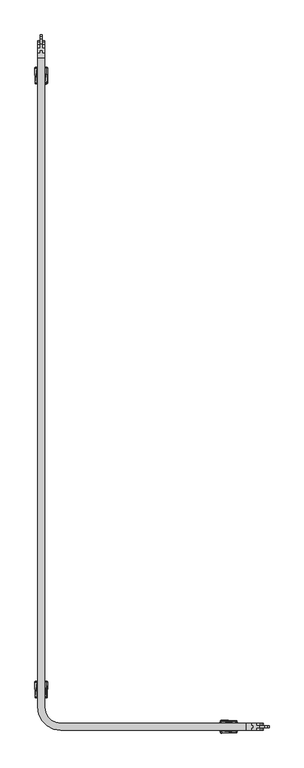
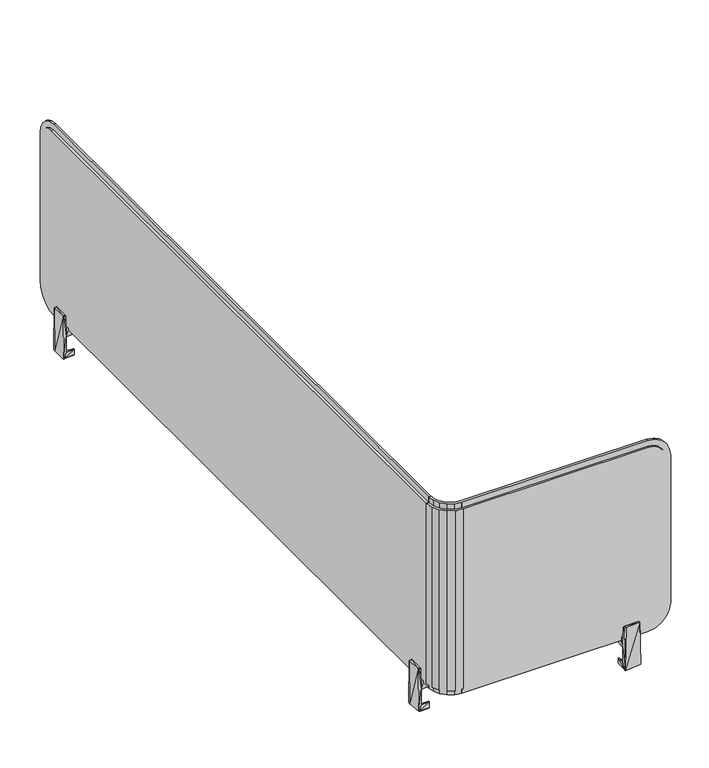
"""IFC4 building model written with IfcOpenShell, lengths in millimetres: furniture geometry."""

from ifc_helpers import new_model, si_unit, origin, place, context, project, spatial, triangles, source, transform, mapped, element, save


def furniture_e910773b(model_context):
    return source(origin(), model_context, "Body", "Tessellation", [
        triangles([(3738.1908396, 2615.817123, 1058.9999674), (3388.4408399, 2615.817123, 1089.0000257), (3708.1908449, 2615.817123, 1089.0000257), (3388.4408399, 2615.817123, 760.9999884), (3738.1908396, 2615.817123, 790.9999741), (3708.1908449, 2615.817123, 760.9999884), (3736.7228424, 2615.817123, 781.7290283), (3732.4618379, 2615.817123, 773.3660213), (3725.824843, 2615.817123, 766.7289991), (3717.4618451, 2615.817123, 762.4679947), (3736.7228424, 2615.817123, 1068.2709858), (3732.4618379, 2615.817123, 1076.6339928), (3725.824843, 2615.817123, 1083.271015), (3717.4618451, 2615.817123, 1087.5320194), (3378.1598359, 2613.4301321, 760.9999884), (3387.9408341, 2615.8181404, 760.9999884), (3387.9408341, 2611.8181302, 760.9999884), (3379.3958433, 2617.2341332, 760.9999884), (3369.3408429, 2617.958126, 760.9999884), (3371.6928433, 2621.1941385, 760.9999884), (3362.3318412, 2624.9671277, 760.9999884), (3365.5678356, 2627.319128, 760.9999884), (3357.8038473, 2633.7861388, 760.9999884), (3361.6078484, 2635.0221281, 760.9999884), (3356.1918454, 2643.567137, 760.9999884), (3360.1918374, 2643.567137, 760.9999884), (3379.3958433, 2617.2341332, 1089.0000257), (3387.9408341, 2615.8181404, 1089.0000257), (3371.6928433, 2621.1941385, 1089.0000257), (3365.5678356, 2627.319128, 1089.0000257), (3361.6078484, 2635.0221281, 1089.0000257), (3360.1918374, 2643.567137, 1089.0000257), (3360.1908382, 2644.0671247, 1089.0000257), (3356.1908462, 2644.0671247, 760.9999884), (3360.1908382, 2644.0671247, 760.9999884), (3356.1908462, 2644.0671247, 1089.0000257), (3352.190836, 2644.0671247, 760.9999884), (3352.190836, 2644.0671247, 1089.0000257), (3349.1908374, 2644.0671247, 760.9999884), (3349.1908374, 2644.0671247, 1089.0000257), (3352.190836, 2644.0671247, 751.0000174), (3356.1908462, 2644.0671247, 751.0000174), (3356.1908462, 2644.0671247, 1098.9999968), (3352.190836, 2644.0671247, 1098.9999968), (3360.1908382, 3793.8171487, 1058.9999674), (3360.1908382, 3793.8171487, 790.9999741), (3360.1908382, 3763.8170903, 760.9999884), (3360.1908382, 3792.3490697, 781.7290283), (3360.1908382, 3788.0881379, 773.3660213), (3360.1908382, 3763.8170903, 1089.0000257), (3360.1908382, 3792.3490697, 1068.2709858), (3360.1908382, 3788.0881379, 1076.6339928), (3360.1908382, 3781.4511884, 1083.271015), (3360.1908382, 3773.087164, 1087.5320194), (3360.1908382, 3781.4511884, 766.7289991), (3360.1908382, 3773.087164, 762.4679947), (3388.4408399, 2607.8171389, 760.9999884), (3388.4408399, 2611.817131, 751.0000174), (3388.4408399, 2607.8171389, 751.0000174), (3388.4408399, 2611.817131, 760.9999884), (3388.4408399, 2607.8171389, 1089.0000257), (3388.4408399, 2611.817131, 1089.0000257), (3388.4408399, 2607.8171389, 1098.9999968), (3388.4408399, 2611.817131, 1098.9999968), (3388.4408399, 2604.8171404, 1089.0000257), (3388.4408399, 2604.8171404, 760.9999884), (3387.9408341, 2607.8181381, 1089.0000257), (3387.9408341, 2611.8181302, 1098.9999968), (3387.9408341, 2607.8181381, 1098.9999968), (3387.9408341, 2611.8181302, 1089.0000257), (3387.9408341, 2607.8181381, 751.0000174), (3387.9408341, 2611.8181302, 751.0000174), (3387.9408341, 2607.8181381, 760.9999884), (3387.9408341, 2604.8171404, 1089.0000257), (3387.9408341, 2604.8171404, 760.9999884), (3352.1918352, 2643.567137, 760.9999884), (3356.1918454, 2643.567137, 751.0000174), (3352.1918352, 2643.567137, 751.0000174), (3352.1918352, 2643.567137, 1089.0000257), (3356.1918454, 2643.567137, 1089.0000257), (3352.1918352, 2643.567137, 1098.9999968), (3356.1918454, 2643.567137, 1098.9999968), (3349.1908374, 2643.567137, 1089.0000257), (3349.1908374, 2643.567137, 760.9999884), (3350.1488458, 2631.4561393, 760.9999884), (3348.1908439, 2643.8171399, 1089.0000257), (3348.1908439, 2643.8171399, 760.9999884), (3350.1488458, 2631.4561393, 1089.0000257), (3355.8298399, 2620.3061295, 760.9999884), (3355.8298399, 2620.3061295, 1089.0000257), (3364.6798447, 2611.4561247, 760.9999884), (3364.6798447, 2611.4561247, 1089.0000257), (3375.8298364, 2605.7751306, 760.9999884), (3375.8298364, 2605.7751306, 1089.0000257), (3388.190837, 2603.8171287, 760.9999884), (3388.190837, 2603.8171287, 1089.0000257), (3708.1908449, 2611.817131, 760.9999884), (3708.1908449, 2611.817131, 1089.0000257), (3738.1908396, 2611.817131, 790.9999741), (3736.7228424, 2611.817131, 781.7290283), (3732.4618379, 2611.817131, 773.3660213), (3725.824843, 2611.817131, 766.7289991), (3717.4618451, 2611.817131, 762.4679947), (3738.1908396, 2611.817131, 1058.9999674), (3717.4618451, 2611.817131, 1087.5320194), (3725.824843, 2611.817131, 1083.271015), (3732.4618379, 2611.817131, 1076.6339928), (3736.7228424, 2611.817131, 1068.2709858), (3357.8038473, 2633.7861388, 1089.0000257), (3362.3318412, 2624.9671277, 1089.0000257), (3369.3408429, 2617.958126, 1089.0000257), (3378.1598359, 2613.4301321, 1089.0000257), (3356.1908462, 3763.8170903, 1089.0000257), (3356.1908462, 3763.8170903, 760.9999884), (3356.1908462, 3793.8171487, 1058.9999674), (3356.1908462, 3792.3490697, 1068.2709858), (3356.1908462, 3788.0881379, 1076.6339928), (3356.1908462, 3781.4511884, 1083.271015), (3356.1908462, 3773.087164, 1087.5320194), (3356.1908462, 3793.8171487, 790.9999741), (3356.1908462, 3773.087164, 762.4679947), (3356.1908462, 3781.4511884, 766.7289991), (3356.1908462, 3788.0881379, 773.3660213), (3356.1908462, 3792.3490697, 781.7290283), (3376.9238466, 2609.626131, 751.0000174), (3378.1598359, 2613.4301321, 751.0000174), (3366.9898418, 2614.7221317, 751.0000174), (3369.3408429, 2617.958126, 751.0000174), (3362.3318412, 2624.9671277, 751.0000174), (3359.0958469, 2622.6161266, 751.0000174), (3357.8038473, 2633.7861388, 751.0000174), (3353.9998462, 2632.5501314, 751.0000174), (3708.1908449, 2611.817131, 751.0000174), (3708.1908449, 2607.8171389, 751.0000174), (3356.1908462, 3763.8170903, 751.0000174), (3352.190836, 3763.8170903, 751.0000174), (3376.9238466, 2609.626131, 760.9999884), (3366.9898418, 2614.7221317, 760.9999884), (3359.0958469, 2622.6161266, 760.9999884), (3353.9998462, 2632.5501314, 760.9999884), (3708.1908449, 2607.8171389, 760.9999884), (3708.1908449, 2603.8171287, 760.9999884), (3348.1908439, 3763.8170903, 760.9999884), (3352.190836, 3763.8170903, 760.9999884), (3708.1908449, 2607.8171389, 1089.0000257), (3708.1908449, 2607.8171389, 1098.9999968), (3720.5518364, 2607.8171389, 1097.0419767), (3717.4618451, 2607.8171389, 1087.5320194), (3731.7018371, 2607.8171389, 1091.3610008), (3725.824843, 2607.8171389, 1083.271015), (3740.551842, 2607.8171389, 1082.5110323), (3732.4618379, 2607.8171389, 1076.6339928), (3746.2328451, 2607.8171389, 1071.3609861), (3736.7228424, 2607.8171389, 1068.2709858), (3748.1908379, 2607.8171389, 1058.9999674), (3738.1908396, 2607.8171389, 1058.9999674), (3748.1908379, 2607.8171389, 790.9999741), (3738.1908396, 2607.8171389, 790.9999741), (3736.7228424, 2607.8171389, 781.7290283), (3746.2328451, 2607.8171389, 778.639028), (3732.4618379, 2607.8171389, 773.3660213), (3740.551842, 2607.8171389, 767.4889818), (3725.824843, 2607.8171389, 766.7289991), (3731.7018371, 2607.8171389, 758.6390133), (3717.4618451, 2607.8171389, 762.4679947), (3720.5518364, 2607.8171389, 752.9579647), (3708.1908449, 2603.8171287, 1089.0000257), (3376.9238466, 2609.626131, 1089.0000257), (3366.9898418, 2614.7221317, 1089.0000257), (3359.0958469, 2622.6161266, 1089.0000257), (3353.9998462, 2632.5501314, 1089.0000257), (3348.1908439, 3763.8170903, 1089.0000257), (3352.190836, 3763.8170903, 1089.0000257), (3356.1908462, 3763.8170903, 1098.9999968), (3356.1908462, 3776.1781091, 1097.0419767), (3356.1908462, 3787.3281552, 1091.3610008), (3356.1908462, 3796.1781964, 1082.5110323), (3356.1908462, 3801.8590997, 1071.3609861), (3356.1908462, 3803.8171197, 1058.9999674), (3356.1908462, 3803.8171197, 790.9999741), (3356.1908462, 3801.8590997, 778.639028), (3356.1908462, 3796.1781964, 767.4889818), (3356.1908462, 3787.3281552, 758.6390133), (3356.1908462, 3776.1781091, 752.9579647), (3748.1908379, 2611.817131, 1058.9999674), (3746.2328451, 2611.817131, 1071.3609861), (3740.551842, 2611.817131, 1082.5110323), (3731.7018371, 2611.817131, 1091.3610008), (3720.5518364, 2611.817131, 1097.0419767), (3708.1908449, 2611.817131, 1098.9999968), (3748.1908379, 2611.817131, 790.9999741), (3746.2328451, 2611.817131, 778.639028), (3740.551842, 2611.817131, 767.4889818), (3731.7018371, 2611.817131, 758.6390133), (3720.5518364, 2611.817131, 752.9579647), (3376.9238466, 2609.626131, 1098.9999968), (3378.1598359, 2613.4301321, 1098.9999968), (3366.9898418, 2614.7221317, 1098.9999968), (3369.3408429, 2617.958126, 1098.9999968), (3362.3318412, 2624.9671277, 1098.9999968), (3359.0958469, 2622.6161266, 1098.9999968), (3357.8038473, 2633.7861388, 1098.9999968), (3353.9998462, 2632.5501314, 1098.9999968), (3352.190836, 3763.8170903, 1098.9999968), (3352.190836, 3776.1781091, 1097.0419767), (3352.190836, 3787.3281552, 1091.3610008), (3352.190836, 3796.1781964, 1082.5110323), (3352.190836, 3801.8590997, 1071.3609861), (3352.190836, 3803.8171197, 1058.9999674), (3352.190836, 3773.087164, 1087.5320194), (3352.190836, 3781.4511884, 1083.271015), (3352.190836, 3788.0881379, 1076.6339928), (3352.190836, 3792.3490697, 1068.2709858), (3352.190836, 3793.8171487, 1058.9999674), (3352.190836, 3793.8171487, 790.9999741), (3352.190836, 3803.8171197, 790.9999741), (3352.190836, 3792.3490697, 781.7290283), (3352.190836, 3801.8590997, 778.639028), (3352.190836, 3788.0881379, 773.3660213), (3352.190836, 3796.1781964, 767.4889818), (3352.190836, 3781.4511884, 766.7289991), (3352.190836, 3787.3281552, 758.6390133), (3352.190836, 3773.087164, 762.4679947), (3352.190836, 3776.1781091, 752.9579647), (3348.1908439, 3773.087164, 762.4679947), (3348.1908439, 3781.4511884, 766.7289991), (3348.1908439, 3788.0881379, 773.3660213), (3348.1908439, 3792.3490697, 781.7290283), (3348.1908439, 3793.8171487, 790.9999741), (3348.1908439, 3793.8171487, 1058.9999674), (3348.1908439, 3792.3490697, 1068.2709858), (3348.1908439, 3788.0881379, 1076.6339928), (3348.1908439, 3781.4511884, 1083.271015), (3348.1908439, 3773.087164, 1087.5320194), (3738.1908396, 2603.8171287, 790.9999741), (3736.7228424, 2603.8171287, 781.7290283), (3725.824843, 2603.8171287, 1083.271015), (3717.4618451, 2603.8171287, 1087.5320194), (3732.4618379, 2603.8171287, 1076.6339928), (3736.7228424, 2603.8171287, 1068.2709858), (3738.1908396, 2603.8171287, 1058.9999674), (3732.4618379, 2603.8171287, 773.3660213), (3725.824843, 2603.8171287, 766.7289991), (3717.4618451, 2603.8171287, 762.4679947)], [[1, 2, 3], [4, 2, 1], [1, 5, 4], [5, 6, 4], [5, 7, 6], [7, 8, 6], [8, 9, 6], [9, 10, 6], [3, 11, 1], [3, 12, 11], [3, 13, 12], [3, 14, 13], [15, 16, 17], [15, 18, 16], [19, 18, 15], [19, 20, 18], [21, 20, 19], [21, 22, 20], [23, 22, 21], [23, 24, 22], [25, 24, 23], [25, 26, 24], [16, 27, 28], [18, 27, 16], [29, 27, 18], [20, 29, 18], [30, 29, 20], [22, 30, 20], [24, 30, 22], [31, 30, 24], [32, 31, 24], [24, 26, 32], [33, 34, 35], [36, 34, 33], [37, 34, 36], [38, 37, 36], [39, 37, 38], [40, 39, 38], [34, 41, 42], [37, 41, 34], [38, 43, 44], [36, 43, 38], [35, 45, 33], [35, 46, 45], [35, 47, 46], [47, 48, 46], [47, 49, 48], [45, 50, 33], [45, 51, 50], [51, 52, 50], [52, 53, 50], [53, 54, 50], [47, 55, 49], [47, 56, 55], [57, 58, 59], [60, 58, 57], [61, 60, 57], [62, 60, 61], [63, 62, 61], [64, 62, 63], [62, 4, 60], [2, 4, 62], [57, 65, 61], [66, 65, 57], [67, 68, 69], [70, 68, 67], [17, 70, 67], [28, 70, 17], [16, 28, 17], [17, 71, 72], [73, 71, 17], [67, 73, 17], [74, 73, 67], [75, 73, 74], [76, 77, 78], [25, 77, 76], [79, 25, 76], [80, 25, 79], [81, 80, 79], [82, 80, 81], [25, 32, 26], [80, 32, 25], [76, 83, 79], [84, 83, 76], [66, 74, 65], [75, 74, 66], [84, 40, 83], [39, 40, 84], [85, 86, 87], [88, 86, 85], [89, 88, 85], [90, 88, 89], [91, 90, 89], [92, 90, 91], [93, 92, 91], [94, 92, 93], [95, 94, 93], [96, 94, 95], [6, 60, 4], [97, 60, 6], [2, 98, 3], [62, 98, 2], [99, 7, 5], [100, 7, 99], [8, 7, 100], [101, 8, 100], [9, 8, 101], [102, 9, 101], [10, 9, 102], [103, 10, 102], [97, 10, 103], [6, 10, 97], [1, 99, 5], [104, 99, 1], [98, 14, 3], [105, 14, 98], [13, 14, 105], [106, 13, 105], [12, 13, 106], [107, 12, 106], [11, 12, 107], [108, 11, 107], [104, 11, 108], [1, 11, 104], [80, 31, 32], [109, 31, 80], [30, 31, 109], [110, 30, 109], [29, 30, 110], [111, 29, 110], [27, 29, 111], [112, 27, 111], [28, 27, 112], [70, 28, 112], [33, 113, 36], [50, 113, 33], [34, 47, 35], [114, 47, 34], [115, 51, 45], [116, 51, 115], [52, 51, 116], [117, 52, 116], [53, 52, 117], [118, 53, 117], [54, 53, 118], [119, 54, 118], [113, 54, 119], [50, 54, 113], [46, 115, 45], [120, 115, 46], [114, 56, 47], [121, 56, 114], [55, 56, 121], [122, 55, 121], [49, 55, 122], [123, 49, 122], [48, 49, 123], [124, 48, 123], [120, 48, 124], [46, 48, 120], [125, 72, 71], [125, 126, 72], [127, 126, 125], [127, 128, 126], [129, 128, 127], [130, 129, 127], [131, 129, 130], [132, 131, 130], [77, 131, 132], [78, 77, 132], [133, 59, 58], [134, 59, 133], [41, 135, 42], [136, 135, 41], [72, 15, 17], [126, 15, 72], [19, 15, 126], [128, 19, 126], [21, 19, 128], [129, 21, 128], [23, 21, 129], [131, 23, 129], [77, 23, 131], [25, 23, 77], [73, 125, 71], [137, 125, 73], [127, 125, 137], [138, 127, 137], [130, 127, 138], [139, 130, 138], [132, 130, 139], [140, 132, 139], [76, 132, 140], [78, 132, 76], [141, 66, 57], [142, 66, 141], [95, 66, 142], [75, 66, 95], [93, 75, 95], [137, 75, 93], [138, 137, 93], [137, 73, 75], [91, 138, 93], [139, 138, 91], [89, 139, 91], [140, 139, 89], [85, 140, 89], [76, 140, 85], [84, 76, 85], [87, 84, 85], [39, 84, 87], [143, 39, 87], [144, 39, 143], [37, 39, 144], [145, 63, 61], [146, 63, 145], [147, 146, 145], [145, 148, 147], [149, 147, 148], [148, 150, 149], [151, 149, 150], [150, 152, 151], [153, 151, 152], [152, 154, 153], [155, 153, 154], [154, 156, 155], [157, 155, 156], [158, 157, 156], [159, 157, 158], [160, 157, 159], [161, 160, 159], [162, 160, 161], [163, 162, 161], [164, 162, 163], [165, 164, 163], [166, 164, 165], [141, 166, 165], [134, 166, 141], [57, 134, 141], [59, 134, 57], [65, 145, 61], [167, 145, 65], [96, 167, 65], [74, 96, 65], [94, 96, 74], [168, 94, 74], [169, 94, 168], [92, 94, 169], [170, 92, 169], [90, 92, 170], [171, 90, 170], [88, 90, 171], [79, 88, 171], [83, 88, 79], [86, 88, 83], [40, 86, 83], [172, 86, 40], [173, 172, 40], [40, 38, 173], [74, 67, 168], [113, 43, 36], [174, 43, 113], [175, 174, 113], [113, 176, 175], [113, 119, 176], [119, 118, 176], [177, 176, 118], [118, 117, 177], [178, 177, 117], [117, 116, 178], [179, 178, 116], [116, 115, 179], [180, 179, 115], [120, 180, 115], [124, 180, 120], [181, 180, 124], [123, 181, 124], [182, 181, 123], [122, 182, 123], [183, 182, 122], [121, 183, 122], [114, 183, 121], [114, 184, 183], [135, 184, 114], [135, 34, 42], [114, 34, 135], [185, 108, 186], [185, 104, 108], [99, 104, 185], [107, 186, 108], [187, 186, 107], [106, 187, 107], [188, 187, 106], [105, 188, 106], [189, 188, 105], [98, 189, 105], [190, 189, 98], [62, 190, 98], [64, 190, 62], [191, 99, 185], [100, 99, 191], [192, 100, 191], [101, 100, 192], [193, 101, 192], [102, 101, 193], [194, 102, 193], [103, 102, 194], [195, 103, 194], [97, 103, 195], [133, 97, 195], [58, 97, 133], [60, 97, 58], [68, 196, 69], [68, 197, 196], [198, 196, 197], [197, 199, 198], [200, 198, 199], [201, 198, 200], [202, 201, 200], [203, 201, 202], [82, 203, 202], [81, 203, 82], [64, 146, 190], [63, 146, 64], [204, 43, 174], [44, 43, 204], [112, 68, 70], [197, 68, 112], [199, 197, 112], [111, 199, 112], [200, 199, 111], [110, 200, 111], [202, 200, 110], [109, 202, 110], [82, 202, 109], [80, 82, 109], [196, 67, 69], [168, 67, 196], [169, 168, 196], [198, 169, 196], [170, 169, 198], [201, 170, 198], [171, 170, 201], [203, 171, 201], [79, 171, 203], [81, 79, 203], [186, 155, 185], [153, 155, 186], [187, 153, 186], [151, 153, 187], [188, 151, 187], [188, 149, 151], [189, 149, 188], [147, 149, 189], [190, 147, 189], [146, 147, 190], [157, 185, 155], [191, 185, 157], [160, 191, 157], [192, 191, 160], [162, 192, 160], [193, 192, 162], [164, 193, 162], [194, 193, 164], [166, 194, 164], [195, 194, 166], [134, 195, 166], [133, 195, 134], [175, 204, 174], [205, 204, 175], [176, 205, 175], [206, 205, 176], [177, 206, 176], [207, 206, 177], [178, 207, 177], [208, 207, 178], [179, 208, 178], [209, 208, 179], [204, 38, 44], [173, 38, 204], [205, 173, 204], [206, 173, 205], [206, 210, 173], [206, 211, 210], [207, 211, 206], [207, 212, 211], [208, 212, 207], [208, 213, 212], [209, 213, 208], [209, 214, 213], [215, 214, 209], [216, 215, 209], [217, 215, 216], [218, 217, 216], [219, 217, 218], [220, 219, 218], [221, 219, 220], [222, 221, 220], [223, 221, 222], [144, 223, 222], [144, 41, 37], [136, 41, 144], [224, 136, 144], [144, 222, 224], [143, 223, 144], [225, 223, 143], [221, 223, 225], [226, 221, 225], [219, 221, 226], [227, 219, 226], [217, 219, 227], [228, 217, 227], [229, 217, 228], [215, 217, 229], [86, 172, 230], [172, 231, 230], [172, 232, 231], [230, 87, 86], [230, 229, 87], [229, 143, 87], [229, 228, 143], [228, 227, 143], [227, 226, 143], [226, 225, 143], [172, 233, 232], [172, 234, 233], [230, 213, 214], [231, 213, 230], [212, 213, 231], [232, 212, 231], [211, 212, 232], [233, 211, 232], [210, 211, 233], [234, 210, 233], [172, 210, 234], [173, 210, 172], [230, 215, 229], [214, 215, 230], [95, 167, 96], [142, 167, 95], [142, 235, 167], [142, 236, 235], [167, 237, 238], [239, 237, 167], [240, 239, 167], [167, 241, 240], [235, 241, 167], [142, 242, 236], [142, 243, 242], [142, 244, 243], [235, 156, 241], [158, 156, 235], [235, 159, 158], [236, 159, 235], [161, 159, 236], [242, 161, 236], [163, 161, 242], [243, 163, 242], [165, 163, 243], [244, 165, 243], [142, 165, 244], [141, 165, 142], [167, 148, 145], [238, 148, 167], [150, 148, 238], [237, 150, 238], [152, 150, 237], [239, 152, 237], [154, 152, 239], [240, 154, 239], [241, 154, 240], [156, 154, 241], [209, 180, 216], [179, 180, 209], [181, 216, 180], [218, 216, 181], [182, 218, 181], [220, 218, 182], [183, 220, 182], [222, 220, 183], [184, 222, 183], [224, 222, 184], [135, 224, 184], [136, 224, 135]]),
        triangles([(3348.1908439, 3718.9510789, 740.9999737), (3348.1908439, 3718.9510789, 712.4999691), (3348.1908439, 3721.817183, 713.0000113), (3348.1908439, 3748.6831304, 740.9999737), (3348.1908439, 3745.8171716, 713.0000113), (3348.1908439, 3748.6831304, 712.4999691), (3348.1908439, 3721.817183, 699.4169741), (3348.1908439, 3745.8171716, 699.4169741), (3344.164836, 3719.5780755, 701.5530355), (3344.164836, 3721.3701173, 778.7390219), (3347.8748385, 3718.8250692, 764.6909695), (3347.5528378, 3719.5011907, 776.9910181), (3364.4558395, 3719.3731462, 741.5000158), (3356.0658356, 3719.0231675, 751.0000174), (3352.0658436, 3718.9180867, 751.0000174), (3352.0658436, 3718.9180867, 760.5000189), (3359.9408353, 3719.1251962, 764.3750004), (3363.9668432, 3719.844193, 776.7929924), (3360.2668328, 3719.7601865, 776.8410273), (3356.0658356, 3719.0231675, 760.5000189), (3362.1908433, 3746.184155, 712.6330278), (3362.1908433, 3746.184155, 700.0170101), (3343.1908403, 3747.1901982, 702.053005), (3344.164836, 3748.0561338, 776.9469801), (3347.8748385, 3748.8091401, 764.6909695), (3347.5528378, 3748.1331639, 776.9910181), (3362.1908433, 3748.3171643, 712.1340031), (3362.1908433, 3748.178074, 702.4329964), (3362.1908433, 3721.4501996, 712.6330278), (3362.1908433, 3719.6831563, 712.4990244), (3362.1908433, 3721.4501996, 700.0170101), (3344.164836, 3746.264092, 699.7609938), (3344.164836, 3721.3701173, 699.7609938), (3362.1908433, 3720.2431512, 701.0510313), (3362.1908433, 3719.4571527, 702.4329964), (3352.0658436, 3721.7121022, 760.5000189), (3352.0658436, 3721.9610696, 751.0000174), (3347.8748385, 3721.4930749, 764.6909695), (3356.0658356, 3721.817183, 760.5000189), (3359.9408353, 3721.817183, 764.3750004), (3356.0658356, 3722.0661504, 751.0000174), (3359.9408353, 3745.8171716, 764.3750004), (3359.9408353, 3748.5091584, 764.3750004), (3356.0658356, 3745.8171716, 760.5000189), (3356.0658356, 3748.6111871, 760.5000189), (3356.0658356, 3748.6111871, 751.0000174), (3356.0658356, 3745.5682042, 751.0000174), (3352.0658436, 3745.6731397, 751.0000174), (3352.0658436, 3748.7161225, 751.0000174), (3352.0658436, 3745.922107, 760.5000189), (3352.0658436, 3748.7161225, 760.5000189), (3347.8748385, 3746.1411344, 764.6909695), (3364.4478458, 3747.8981492, 740.7930096), (3364.4558395, 3748.2610631, 774.4999638), (3360.2668328, 3747.8741681, 776.8410273), (3360.3118337, 3746.1591565, 778.5550215), (3360.3118337, 3721.4751981, 778.5550215), (3363.9668432, 3746.110177, 778.4720324), (3364.4558395, 3723.817061, 778.9440239), (3343.1908403, 3745.7641225, 777.8730137), (3348.4038396, 3722.035193, 744.4999781), (3348.4038396, 3745.5991616, 744.4999781), (3347.5048393, 3721.3260793, 778.8140173), (3347.5048393, 3746.30813, 778.8140173), (3359.4208452, 3722.3241288, 744.4999781), (3359.4208452, 3745.3100804, 744.4999781), (3364.940839, 3747.4041387, 741.5000158), (3364.940839, 3720.2300706, 741.5000158), (3363.9408455, 3747.4041387, 740.5000042), (3364.4408332, 3720.2300706, 740.6340076), (3348.1908439, 2659.2011391, 740.9999737), (3348.1908439, 2659.2011391, 712.4999691), (3348.1908439, 2662.0671343, 713.0000113), (3348.1908439, 2688.9331361, 740.9999737), (3348.1908439, 2686.067141, 713.0000113), (3348.1908439, 2688.9331361, 712.4999691), (3348.1908439, 2662.0671343, 699.4169741), (3348.1908439, 2686.067141, 699.4169741), (3344.164836, 2659.8281357, 701.5530355), (3344.164836, 2661.620123, 778.7390219), (3347.8748385, 2659.0751294, 764.6909695), (3347.5528378, 2659.7511237, 776.9910181), (3364.4558395, 2659.6231337, 741.5000158), (3356.0658356, 2659.2731369, 751.0000174), (3352.0658436, 2659.1681288, 751.0000174), (3352.0658436, 2659.1681288, 760.5000189), (3359.9408353, 2659.3751292, 764.3750004), (3363.9668432, 2660.0951253, 776.7929924), (3360.2668328, 2660.0101377, 776.8410273), (3356.0658356, 2659.2731369, 760.5000189), (3362.1908433, 2686.4341244, 712.6330278), (3362.1908433, 2686.4341244, 700.0170101), (3343.1908403, 2687.4401313, 702.053005), (3344.164836, 2688.3061395, 776.9469801), (3347.8748385, 2689.0591277, 764.6909695), (3347.5528378, 2688.3831333, 776.9910181), (3362.1908433, 2688.5661345, 712.1340031), (3362.1908433, 2688.4281342, 702.4329964), (3362.1908433, 2661.7001327, 712.6330278), (3362.1908433, 2659.9331257, 712.4990244), (3362.1908433, 2661.7001327, 700.0170101), (3344.164836, 2686.514134, 699.7609938), (3362.1908433, 2660.4931388, 701.0510313), (3362.1908433, 2659.7061228, 702.4329964), (3352.0658436, 2661.9621261, 760.5000189), (3352.0658436, 2662.2111298, 751.0000174), (3347.8748385, 2661.7431351, 764.6909695), (3356.0658356, 2662.0671343, 760.5000189), (3359.9408353, 2662.0671343, 764.3750004), (3356.0658356, 2662.3161379, 751.0000174), (3359.9408353, 2686.067141, 764.3750004), (3359.9408353, 2688.7591278, 764.3750004), (3356.0658356, 2686.067141, 760.5000189), (3356.0658356, 2688.8611383, 760.5000189), (3356.0658356, 2688.8611383, 751.0000174), (3356.0658356, 2685.8181373, 751.0000174), (3352.0658436, 2685.9231272, 751.0000174), (3352.0658436, 2688.9661283, 751.0000174), (3352.0658436, 2686.1721309, 760.5000189), (3352.0658436, 2688.9661283, 760.5000189), (3347.8748385, 2686.3911401, 764.6909695), (3364.4478458, 2688.1481368, 740.7930096), (3364.4558395, 2688.5111233, 774.4999638), (3360.2668328, 2688.1241375, 776.8410273), (3360.3118337, 2686.4091259, 778.5550215), (3360.3118337, 2661.7251311, 778.5550215), (3363.9668432, 2686.3601282, 778.4720324), (3364.4558395, 2664.0671394, 778.9440239), (3343.1908403, 2686.0141282, 777.8730137), (3348.4038396, 2662.285126, 744.4999781), (3348.4038396, 2685.849131, 744.4999781), (3347.5048393, 2661.5761395, 778.8140173), (3347.5048393, 2686.5591349, 778.8140173), (3359.4208452, 2662.5741346, 744.4999781), (3359.4208452, 2685.5601407, 744.4999781), (3364.940839, 2687.6541262, 741.5000158), (3363.9408455, 2687.6541262, 740.5000042), (3364.4408332, 2660.4801308, 740.6340076), (3693.0568395, 2603.8171287, 740.9999737), (3693.0568395, 2603.8171287, 712.4999691), (3690.1908398, 2603.8171287, 713.0000113), (3663.3248425, 2603.8171287, 740.9999737), (3666.1908422, 2603.8171287, 713.0000113), (3663.3248425, 2603.8171287, 712.4999691), (3690.1908398, 2603.8171287, 699.4169741), (3666.1908422, 2603.8171287, 699.4169741), (3692.4298429, 2599.791139, 701.5530355), (3690.637842, 2599.791139, 778.7390219), (3693.1828401, 2603.5011233, 764.6909695), (3692.5068367, 2603.1791408, 776.9910181), (3692.6348449, 2620.0821243, 741.5000158), (3692.9848417, 2611.6921386, 751.0000174), (3693.0898407, 2607.6921284, 751.0000174), (3693.0898407, 2607.6921284, 760.5000189), (3692.8828403, 2615.5671383, 764.3750004), (3692.1628397, 2619.593128, 776.7929924), (3692.2478409, 2615.8931358, 776.8410273), (3692.9848417, 2611.6921386, 760.5000189), (3665.8238406, 2617.8171281, 712.6330278), (3665.8238406, 2617.8171281, 700.0170101), (3664.8178428, 2598.817125, 702.053005), (3663.9518391, 2599.791139, 776.9469801), (3663.1988418, 2603.5011233, 764.6909695), (3663.8748407, 2603.1791408, 776.9910181), (3663.6918396, 2617.8171281, 712.1340031), (3663.8298399, 2617.8171281, 702.4329964), (3690.5578414, 2617.8171281, 712.6330278), (3692.3248393, 2617.8171281, 712.4990244), (3690.5578414, 2617.8171281, 700.0170101), (3665.74384, 2599.791139, 699.7609938), (3691.7648399, 2617.8171281, 701.0510313), (3692.5518376, 2617.8171281, 702.4329964), (3690.2958389, 2607.6921284, 760.5000189), (3690.0468397, 2607.6921284, 751.0000174), (3690.5148389, 2603.5011233, 764.6909695), (3690.1908398, 2611.6921386, 760.5000189), (3690.1908398, 2615.5671383, 764.3750004), (3689.9418407, 2611.6921386, 751.0000174), (3666.1908422, 2615.5671383, 764.3750004), (3663.4988417, 2615.5671383, 764.3750004), (3666.1908422, 2611.6921386, 760.5000189), (3663.3968403, 2611.6921386, 760.5000189), (3663.3968403, 2611.6921386, 751.0000174), (3666.4398413, 2611.6921386, 751.0000174), (3666.3348423, 2607.6921284, 751.0000174), (3663.2918413, 2607.6921284, 751.0000174), (3666.0858386, 2607.6921284, 760.5000189), (3663.2918413, 2607.6921284, 760.5000189), (3665.8668385, 2603.5011233, 764.6909695), (3664.103842, 2619.5801382, 740.6340076), (3663.7468416, 2620.0821243, 774.4999638), (3664.1338411, 2615.8931358, 776.8410273), (3665.8488391, 2615.9381367, 778.5550215), (3690.5328384, 2615.9381367, 778.5550215), (3665.8978413, 2619.593128, 778.4720324), (3688.1908393, 2620.0821243, 778.9440239), (3666.2438413, 2598.817125, 777.8730137), (3689.972839, 2604.0301244, 744.4999781), (3666.4088385, 2604.0301244, 744.4999781), (3690.6828429, 2603.1311241, 778.8140173), (3665.6988391, 2603.1311241, 778.8140173), (3689.6838395, 2615.04713, 744.4999781), (3666.6978425, 2615.04713, 744.4999781), (3664.6038388, 2620.5671238, 741.5000158), (3691.7778387, 2619.5671303, 740.5000042), (3664.6038388, 2619.5671303, 740.5000042), (3691.7778387, 2620.0671361, 740.6340076), (3664.1098418, 2620.0741306, 740.7930096), (3691.7778387, 2620.4331385, 740.9999737), (3692.27784, 2619.5801382, 740.6340076), (3692.6438378, 2619.5901303, 740.9999737)], [[1, 2, 3], [1, 3, 4], [4, 3, 5], [4, 5, 6], [7, 8, 3], [3, 8, 5], [9, 2, 1], [9, 1, 10], [10, 1, 11], [10, 11, 12], [13, 14, 1], [1, 14, 15], [1, 15, 11], [11, 15, 16], [17, 14, 13], [18, 17, 13], [17, 18, 19], [17, 20, 14], [22, 21, 5], [22, 5, 8], [4, 6, 23], [24, 4, 23], [4, 24, 25], [25, 24, 26], [23, 6, 27], [23, 27, 28], [3, 2, 29], [29, 2, 30], [3, 29, 31], [3, 31, 7], [22, 8, 23], [22, 23, 28], [32, 8, 7], [32, 7, 33], [9, 33, 7], [5, 21, 27], [5, 27, 6], [9, 7, 31], [9, 31, 34], [9, 34, 35], [30, 2, 9], [30, 9, 35], [16, 15, 36], [36, 15, 37], [11, 16, 36], [11, 36, 38], [20, 17, 39], [39, 17, 40], [20, 39, 14], [14, 39, 41], [42, 43, 44], [44, 43, 45], [45, 46, 44], [44, 46, 47], [48, 49, 50], [50, 49, 51], [25, 52, 50], [25, 50, 51], [4, 46, 53], [53, 46, 43], [53, 43, 54], [55, 54, 43], [46, 4, 49], [25, 49, 4], [49, 25, 51], [46, 45, 43], [56, 57, 58], [58, 57, 59], [23, 60, 24], [60, 23, 32], [10, 60, 32], [10, 32, 9], [38, 61, 62], [38, 62, 52], [63, 38, 52], [63, 52, 64], [64, 52, 26], [52, 25, 26], [38, 63, 12], [12, 11, 38], [56, 40, 57], [57, 40, 19], [56, 55, 42], [56, 42, 40], [40, 42, 65], [65, 42, 66], [55, 43, 42], [40, 17, 19], [54, 55, 58], [58, 55, 56], [58, 67, 54], [54, 67, 53], [59, 18, 68], [59, 68, 67], [59, 67, 58], [67, 68, 69], [69, 68, 70], [1, 4, 70], [70, 4, 69], [53, 69, 4], [23, 8, 32], [41, 37, 14], [14, 37, 15], [47, 46, 48], [48, 46, 49], [38, 36, 37], [38, 37, 61], [61, 37, 65], [65, 37, 41], [65, 41, 40], [40, 41, 39], [59, 57, 18], [18, 57, 19], [68, 18, 13], [68, 13, 70], [13, 1, 70], [29, 30, 35], [29, 35, 31], [31, 35, 34], [22, 28, 21], [21, 28, 27], [32, 33, 9], [60, 64, 24], [24, 64, 26], [63, 64, 10], [10, 64, 60], [10, 12, 63], [48, 50, 52], [62, 48, 52], [48, 62, 66], [48, 66, 47], [42, 47, 66], [47, 42, 44], [61, 65, 66], [61, 66, 62], [69, 53, 67], [71, 72, 73], [71, 73, 74], [74, 73, 75], [74, 75, 76], [77, 78, 73], [73, 78, 75], [79, 72, 71], [79, 71, 80], [80, 71, 81], [80, 81, 82], [83, 84, 71], [71, 84, 85], [71, 85, 81], [81, 85, 86], [87, 84, 83], [88, 87, 83], [87, 88, 89], [87, 90, 84], [92, 91, 75], [92, 75, 78], [74, 76, 93], [94, 74, 93], [74, 94, 95], [95, 94, 96], [93, 76, 97], [93, 97, 98], [73, 72, 99], [99, 72, 100], [73, 99, 101], [73, 101, 77], [92, 78, 93], [92, 93, 98], [102, 78, 77], [102, 77, 79], [75, 91, 97], [75, 97, 76], [79, 77, 101], [79, 101, 103], [79, 103, 104], [100, 72, 79], [100, 79, 104], [86, 85, 105], [105, 85, 106], [81, 86, 105], [81, 105, 107], [90, 87, 108], [108, 87, 109], [90, 108, 84], [84, 108, 110], [111, 112, 113], [113, 112, 114], [114, 115, 113], [113, 115, 116], [117, 118, 119], [119, 118, 120], [95, 121, 119], [95, 119, 120], [74, 115, 122], [122, 115, 112], [122, 112, 123], [124, 123, 112], [115, 74, 118], [95, 118, 74], [118, 95, 120], [115, 114, 112], [125, 126, 127], [127, 126, 128], [93, 129, 94], [129, 93, 102], [80, 129, 102], [80, 102, 79], [107, 130, 131], [107, 131, 121], [132, 107, 121], [132, 121, 133], [133, 121, 96], [121, 95, 96], [107, 132, 82], [82, 81, 107], [125, 109, 126], [126, 109, 89], [125, 124, 111], [125, 111, 109], [109, 111, 134], [134, 111, 135], [124, 112, 111], [109, 87, 89], [123, 124, 127], [127, 124, 125], [123, 136, 122], [88, 83, 136], [88, 136, 127], [127, 136, 123], [136, 83, 137], [137, 83, 138], [71, 74, 138], [138, 74, 137], [122, 137, 74], [93, 78, 102], [110, 106, 84], [84, 106, 85], [116, 115, 117], [117, 115, 118], [107, 105, 106], [107, 106, 130], [130, 106, 134], [134, 106, 110], [134, 110, 109], [109, 110, 108], [128, 126, 88], [88, 126, 89], [88, 127, 128], [83, 71, 138], [99, 100, 104], [99, 104, 101], [101, 104, 103], [92, 98, 91], [91, 98, 97], [129, 133, 94], [94, 133, 96], [132, 133, 80], [80, 133, 129], [80, 82, 132], [117, 119, 121], [131, 117, 121], [117, 131, 135], [117, 135, 116], [111, 116, 135], [116, 111, 113], [130, 134, 135], [130, 135, 131], [137, 122, 136], [139, 140, 141], [139, 141, 142], [142, 141, 143], [142, 143, 144], [145, 146, 141], [141, 146, 143], [147, 140, 139], [147, 139, 148], [148, 139, 149], [148, 149, 150], [151, 152, 139], [139, 152, 153], [139, 153, 149], [149, 153, 154], [155, 152, 151], [156, 155, 151], [155, 156, 157], [155, 158, 152], [160, 159, 143], [160, 143, 146], [142, 144, 161], [162, 142, 161], [142, 162, 163], [163, 162, 164], [161, 144, 165], [161, 165, 166], [141, 140, 167], [167, 140, 168], [141, 167, 169], [141, 169, 145], [160, 146, 161], [160, 161, 166], [170, 146, 145], [170, 145, 147], [143, 159, 165], [143, 165, 144], [147, 145, 169], [147, 169, 171], [147, 171, 172], [168, 140, 147], [168, 147, 172], [154, 153, 173], [173, 153, 174], [149, 154, 173], [149, 173, 175], [158, 155, 176], [176, 155, 177], [158, 176, 152], [152, 176, 178], [179, 180, 181], [181, 180, 182], [182, 183, 181], [181, 183, 184], [185, 186, 187], [187, 186, 188], [163, 189, 187], [163, 187, 188], [142, 183, 190], [190, 183, 180], [190, 180, 191], [192, 191, 180], [183, 142, 186], [163, 186, 142], [186, 163, 188], [183, 182, 180], [193, 194, 195], [195, 194, 196], [161, 197, 162], [197, 161, 170], [148, 197, 170], [148, 170, 147], [175, 198, 199], [175, 199, 189], [200, 175, 189], [200, 189, 201], [201, 189, 164], [189, 163, 164], [175, 200, 150], [150, 149, 175], [193, 177, 194], [194, 177, 157], [193, 192, 179], [193, 179, 177], [177, 179, 202], [202, 179, 203], [192, 180, 179], [177, 155, 157], [191, 192, 195], [195, 192, 193], [191, 204, 190], [156, 151, 204], [156, 204, 195], [195, 204, 191], [205, 206, 207], [207, 206, 208], [208, 204, 151], [208, 151, 209], [208, 209, 207], [139, 142, 205], [205, 142, 206], [206, 142, 190], [161, 146, 170], [178, 174, 152], [152, 174, 153], [184, 183, 185], [185, 183, 186], [175, 173, 174], [175, 174, 198], [198, 174, 202], [202, 174, 178], [202, 178, 177], [177, 178, 176], [196, 194, 156], [156, 194, 157], [156, 195, 196], [210, 207, 209], [207, 210, 205], [209, 151, 211], [209, 211, 210], [151, 139, 211], [211, 139, 210], [205, 210, 139], [167, 168, 172], [167, 172, 169], [169, 172, 171], [160, 166, 159], [159, 166, 165], [197, 201, 162], [162, 201, 164], [200, 201, 148], [148, 201, 197], [148, 150, 200], [185, 187, 189], [199, 185, 189], [185, 199, 203], [185, 203, 184], [179, 184, 203], [184, 179, 181], [198, 202, 203], [198, 203, 199], [208, 206, 190], [190, 204, 208]]),
    ])


if __name__ == "__main__":
    model = new_model("IFC4")
    model_context = context("Model", 3, world=origin())
    ifc_project = project(units=[si_unit("LENGTHUNIT", "METRE", prefix="MILLI")], contexts=[model_context])
    site = spatial("IfcSite", under=ifc_project)
    building = spatial("IfcBuilding", under=site)
    placement = place(None, origin())
    furniture_shape = furniture_e910773b(model_context)
    element("IfcFurniture", 1, at=placement, inside=building, context=model_context, shape_type="MappedRepresentation", body=[
        mapped(furniture_shape, transform((0.0, 0.0, 0.0), x_axis=(1.0, 0.0, 0.0), y_axis=(0.0, 1.0, 0.0), z_axis=(0.0, 0.0, 1.0))),
    ])
    save(model, "model.ifc")
